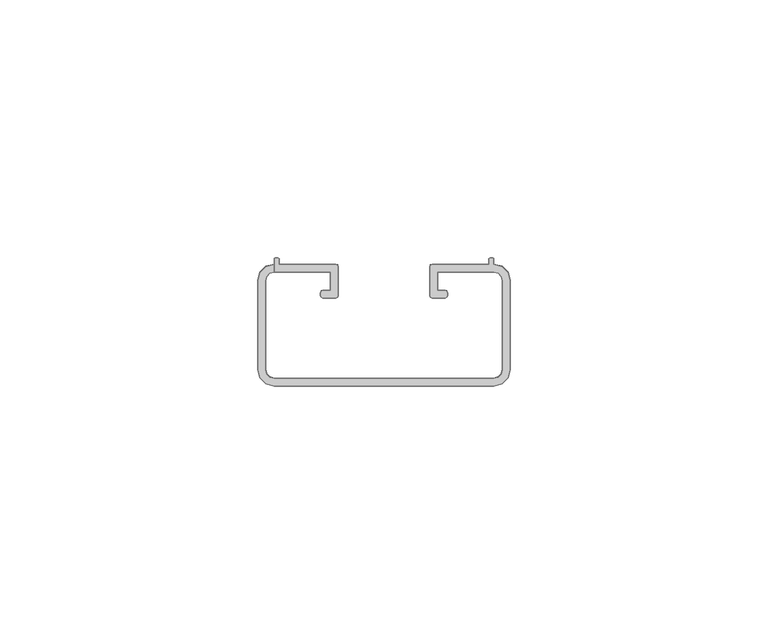
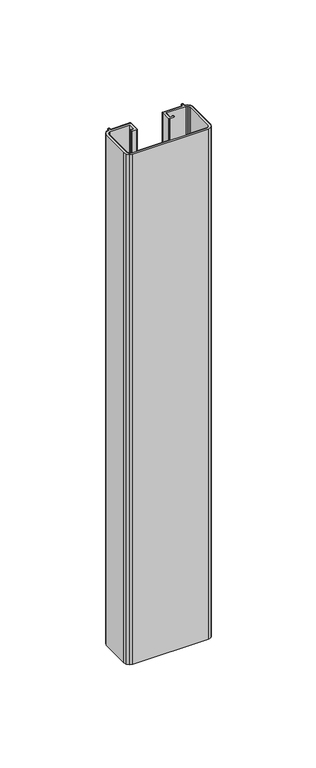
"""IFC4 building model written with IfcOpenShell, lengths in millimetres: furniture geometry."""

import ifcopenshell
import ifcopenshell.guid

model = None  # the IFC model being written
_history = None  # IfcOwnerHistory: only IFC2X3 demands one
_inside = {}  # id of a spatial element -> (the spatial element, [elements in it])
_under = {}  # id of a project, library or spatial element -> (it, [spatial elements below it])
_declared = {}  # id of a project -> (the project, [libraries it declares])
_typed = {}  # id of a type object -> (the type object, [elements of that type])
_made_of = {}  # id of a material, layer set ... -> (it, [elements and type objects made of it])


def new_model(schema):
    """Start an empty IFC model of exactly this schema.

    Asked for "IFC4X3", IfcOpenShell would pick the latest addendum, in which some entities
    have other attributes; the version numbers below select the first issue.
    IFC2X3 requires an IfcOwnerHistory on every rooted entity: one is made here for all.
    """
    global model, _history
    if schema == "IFC4X3":
        model = ifcopenshell.file(schema_version=(4, 3, 0, 0))
    else:
        model = ifcopenshell.file(schema=schema)
    _inside.clear()
    _under.clear()
    _declared.clear()
    _typed.clear()
    _made_of.clear()
    _history = None
    if model.schema == "IFC2X3":
        org = make("IfcOrganization", Name="unknown")
        user = make(
            "IfcPersonAndOrganization",
            ThePerson=make("IfcPerson", FamilyName="unknown"),
            TheOrganization=org,
        )
        app = make(
            "IfcApplication",
            ApplicationDeveloper=org,
            Version="unknown",
            ApplicationFullName="unknown",
            ApplicationIdentifier="unknown",
        )
        _history = make(
            "IfcOwnerHistory",
            OwningUser=user,
            OwningApplication=app,
            ChangeAction="ADDED",
            CreationDate=0,
        )
    return model


def make(cls, **values):
    """One entity of the class cls with the attributes given. An attribute that is None is left unset."""
    return model.create_entity(
        cls, **{name: value for name, value in values.items() if value is not None}
    )


def rooted(cls, **values):
    """An entity with a GlobalId (a new one), such as an element, a storey or a relation."""
    return make(cls, GlobalId=ifcopenshell.guid.new(), OwnerHistory=_history, **values)


def si_unit(unit_type, name, prefix=None):
    """IfcSIUnit, for example si_unit("LENGTHUNIT", "METRE", prefix="MILLI")."""
    return make("IfcSIUnit", UnitType=unit_type, Prefix=prefix, Name=name)


def assignment(units):
    """IfcUnitAssignment: the units of a project."""
    return None if units is None else make("IfcUnitAssignment", Units=units)


def point(xyz):
    """IfcCartesianPoint."""
    return None if xyz is None else make("IfcCartesianPoint", Coordinates=xyz)


def direction(xyz):
    """IfcDirection."""
    return None if xyz is None else make("IfcDirection", DirectionRatios=xyz)


def frame(location, z_axis=None, x_axis=None):
    """IfcAxis2Placement3D, a coordinate frame: its origin and axes. An axis left out is left unset."""
    return make(
        "IfcAxis2Placement3D",
        Location=point(location),
        Axis=direction(z_axis),
        RefDirection=direction(x_axis),
    )


def origin():
    """The frame at (0, 0, 0) with its axes left unset."""
    return frame((0.0, 0.0, 0.0))


def place(relative_to, where):
    """IfcLocalPlacement: puts the frame where relative to a parent placement (None: the world)."""
    return make(
        "IfcLocalPlacement", PlacementRelTo=relative_to, RelativePlacement=where
    )


def context(
    kind, dimensions, precision=None, world=None, true_north=None, identifier=None
):
    """IfcGeometricRepresentationContext, for example the 3D "Model" context."""
    return make(
        "IfcGeometricRepresentationContext",
        ContextIdentifier=identifier,
        ContextType=kind,
        CoordinateSpaceDimension=dimensions,
        Precision=precision,
        WorldCoordinateSystem=world,
        TrueNorth=true_north,
    )


def project(units=None, contexts=None):
    """IfcProject with its units and contexts."""
    return rooted(
        "IfcProject",
        Name="project",
        RepresentationContexts=contexts,
        UnitsInContext=assignment(units),
    )


def spatial(cls, under=None, at=None, **own):
    """A site, building, storey or space (cls), placed at a placement, below another one or the project."""
    s = rooted(cls, ObjectPlacement=at, **own)
    if under is not None:
        _under.setdefault(under.id(), (under, []))[1].append(s)
    return s


def point_list(points):
    """IfcCartesianPointList2D or 3D."""
    cls = (
        "IfcCartesianPointList2D" if len(points[0]) == 2 else "IfcCartesianPointList3D"
    )
    return make(cls, CoordList=points)


def triangles(points, corners, closed=None, point_numbers=None):
    """IfcTriangulatedFaceSet: each triangle names its three corners, points numbered from 1."""
    return make(
        "IfcTriangulatedFaceSet",
        Coordinates=point_list(points),
        Closed=closed,
        CoordIndex=corners,
        PnIndex=point_numbers,
    )


def shape(context_of_items, identifier, shape_type, items):
    """IfcShapeRepresentation: the items that make up one representation, for example the "Body"."""
    return make(
        "IfcShapeRepresentation",
        ContextOfItems=context_of_items,
        RepresentationIdentifier=identifier,
        RepresentationType=shape_type,
        Items=items,
    )


def source(mapping_origin, context_of_items, identifier, shape_type, items):
    """IfcRepresentationMap: a shape defined once, which mapped items show again and again."""
    return make(
        "IfcRepresentationMap",
        MappingOrigin=mapping_origin,
        MappedRepresentation=shape(context_of_items, identifier, shape_type, items),
    )


def transform(
    local_origin,
    x_axis=None,
    y_axis=None,
    z_axis=None,
    scale=None,
    scale2=None,
    scale3=None,
    uniform=True,
):
    """IfcCartesianTransformationOperator3D, or its non-uniform kind. x_axis, y_axis, z_axis: its Axis1, 2, 3."""
    if uniform:
        return make(
            "IfcCartesianTransformationOperator3D",
            Axis1=direction(x_axis),
            Axis2=direction(y_axis),
            LocalOrigin=point(local_origin),
            Scale=scale,
            Axis3=direction(z_axis),
        )
    return make(
        "IfcCartesianTransformationOperator3DnonUniform",
        Axis1=direction(x_axis),
        Axis2=direction(y_axis),
        LocalOrigin=point(local_origin),
        Scale=scale,
        Axis3=direction(z_axis),
        Scale2=scale2,
        Scale3=scale3,
    )


def mapped(mapping_source, mapping_target):
    """IfcMappedItem: shows the shape of a source again, moved by a transform."""
    return make(
        "IfcMappedItem", MappingSource=mapping_source, MappingTarget=mapping_target
    )


def made_of(thing, what):
    """Note that an element or type object is made of a material, layer set ...; save() writes the relation."""
    if what is not None:
        _made_of.setdefault(what.id(), (what, []))[1].append(thing)
    return thing


def element(
    cls,
    number,
    at=None,
    inside=None,
    cuts=None,
    type_object=None,
    material=None,
    context=None,
    identifier="Body",
    shape_type=None,
    held_by="IfcProductDefinitionShape",
    body=None,
    shapes=None,
    **own,
):
    """One element of the class cls, such as IfcWall. Its Tag is "e" and its number.

    at: its placement. inside: the storey or other place that contains it. cuts: it is an
    opening in that element (IfcRelVoidsElement). A single representation is given by context,
    identifier, shape_type and body (its items); several are given by shapes. held_by: the class
    of the entity that holds the representations. save() writes the other relations.
    """
    e = rooted(cls, Tag="e%d" % number, ObjectPlacement=at, **own)
    if body is not None:
        shapes = [shape(context, identifier, shape_type, body)]
    if shapes is not None:
        e.Representation = make(held_by, Representations=shapes)
    if inside is not None:
        _inside.setdefault(inside.id(), (inside, []))[1].append(e)
    if cuts is not None:
        rooted(
            "IfcRelVoidsElement", RelatingBuildingElement=cuts, RelatedOpeningElement=e
        )
    if type_object is not None:
        _typed.setdefault(type_object.id(), (type_object, []))[1].append(e)
    return made_of(e, material)


def aggregate(whole, parts):
    """IfcRelAggregates: a whole, such as a stair, and the parts it consists of."""
    return rooted("IfcRelAggregates", RelatingObject=whole, RelatedObjects=parts)


def save(model, path):
    """Write the relations noted so far, then the file.

    IfcRelAggregates (storeys below a building ...), IfcRelContainedInSpatialStructure (elements
    in a storey), IfcRelDefinesByType, IfcRelAssociatesMaterial and IfcRelDeclares: one each for
    every whole, place, type object, material and project.
    """
    for whole, parts in _under.values():
        aggregate(whole, parts)
    for where, things in _inside.values():
        rooted(
            "IfcRelContainedInSpatialStructure",
            RelatedElements=things,
            RelatingStructure=where,
        )
    for kind, things in _typed.values():
        rooted("IfcRelDefinesByType", RelatedObjects=things, RelatingType=kind)
    for what, things in _made_of.values():
        rooted("IfcRelAssociatesMaterial", RelatedObjects=things, RelatingMaterial=what)
    for by, libraries in _declared.values():
        rooted("IfcRelDeclares", RelatingContext=by, RelatedDefinitions=libraries)
    model.write(path)


def furniture_5cb4e1e3(model_context):
    return source(origin(), model_context, "Body", "Tessellation", [
        triangles([(71.6466805, -131.4831626, 86.8750116), (28.9766811, -131.4831626, 86.8750116), (28.9766811, -131.4831626, 392.4370199), (71.6466805, -131.4831626, 392.4370199), (27.3879881, -131.0569441, 392.4407261), (27.3879881, -131.0569441, 86.8787359), (26.2284999, -129.8915719, 392.4508999), (26.2284999, -129.8915719, 86.8889006), (25.7976827, -128.3042233, 392.4647435), (25.7976827, -128.3042233, 86.9027533), (25.7976827, -111.0342201, 87.0534709), (25.7976827, -111.0342201, 392.6154611), (28.9766811, -107.8552807, 392.643221), (28.9766811, -107.8552807, 87.0812126), (27.3892734, -108.2861047, 87.077452), (27.3892734, -108.2861047, 392.6394422), (26.2238944, -109.4455816, 87.0673327), (26.2238944, -109.4455816, 392.629341), (28.9766811, -106.8552237, 87.089933), (28.9766811, -106.8552237, 392.6519414), (29.0499029, -106.6784449, 392.6534675), (29.0499029, -106.6784449, 87.0914773), (29.2266817, -106.6052208, 392.6541215), (29.2266817, -106.6052208, 87.0921222), (29.7266807, -106.6052208, 392.6541215), (29.7266807, -106.6052208, 87.0921222), (29.9034595, -106.6784449, 392.6534675), (29.9034595, -106.6784449, 87.0914773), (29.9766813, -106.8552237, 392.6519414), (29.9766813, -106.8552237, 87.089933), (40.9356827, -107.8552171, 87.0812126), (40.9356827, -107.8552171, 392.643221), (41.2892403, -108.0016653, 392.6419493), (41.2892403, -108.0016653, 87.0799318), (41.4356839, -108.355223, 392.6388608), (41.4356839, -108.355223, 87.0768434), (41.4356839, -113.9032219, 392.5904263), (41.4356839, -113.9032219, 87.028427), (29.9766813, -107.8552171, 87.0812126), (29.9766813, -107.8552171, 392.643221), (41.2892403, -114.2567704, 392.5873378), (41.2892403, -114.2567704, 87.0253476), (40.9356827, -114.4032186, 392.5860661), (40.9356827, -114.4032186, 87.0240668), (38.461683, -114.4032186, 87.0240668), (38.461683, -114.4032186, 392.5860661), (38.1081254, -114.2567704, 87.0253476), (38.1081254, -114.2567704, 392.5873378), (37.9616818, -113.9032219, 87.028427), (37.9616818, -113.9032219, 392.5904263), (37.9616818, -113.3792168, 87.0330052), (37.9616818, -113.3792168, 392.5950045), (38.461683, -112.8792201, 392.5993647), (38.461683, -112.8792201, 87.0373654), (38.1081254, -113.0256683, 87.0360846), (38.1081254, -113.0256683, 392.5980929), (39.9116808, -112.8792201, 87.0373654), (39.9116808, -112.8792201, 392.5993647), (39.9116808, -109.3792157, 87.067914), (39.9116808, -109.3792157, 392.6299224), (28.9766811, -109.3792157, 87.067914), (28.9766811, -109.3792157, 392.6299224), (28.1491698, -109.60095, 392.6279603), (28.1491698, -109.60095, 87.0659792), (27.5434019, -110.206727, 392.6226917), (27.5434019, -110.206727, 87.0606925), (27.3216812, -111.0342201, 392.6154611), (27.3216812, -111.0342201, 87.0534709), (27.3216812, -128.3042233, 86.9027533), (27.3216812, -128.3042233, 392.4647435), (27.5434019, -129.1317073, 392.4575492), (27.5434019, -129.1317073, 86.8955317), (28.1491698, -129.7374843, 392.4522443), (28.1491698, -129.7374843, 86.890245), (28.9766811, -129.9592186, 392.4503185), (28.9766811, -129.9592186, 86.8883102), (73.2353781, -131.0569441, 392.4407261), (73.2353781, -131.0569441, 86.8787359), (74.394864, -129.8915719, 392.4508999), (74.394864, -129.8915719, 86.8889006), (74.8256835, -128.3042233, 392.4647435), (74.8256835, -128.3042233, 86.9027533), (74.8256835, -111.0342201, 392.6154611), (74.8256835, -111.0342201, 87.0534709), (71.6466805, -107.8552807, 392.643221), (71.6466805, -107.8552807, 87.0812126), (73.2340882, -108.2861047, 87.077452), (73.2340882, -108.2861047, 392.6394422), (74.3994695, -109.4455816, 87.0673327), (74.3994695, -109.4455816, 392.629341), (71.6466805, -106.8552237, 392.6519414), (71.6466805, -106.8552237, 87.089933), (71.573461, -106.6784449, 392.6534675), (71.573461, -106.6784449, 87.0914773), (71.3966822, -106.6052208, 392.6541215), (71.3966822, -106.6052208, 87.0921222), (70.8966809, -106.6052208, 87.0921222), (70.8966809, -106.6052208, 392.6541215), (70.7199021, -106.6784449, 392.6534675), (70.7199021, -106.6784449, 87.0914773), (70.6466825, -106.8552237, 392.6519414), (70.6466825, -106.8552237, 87.089933), (59.6876812, -107.8552171, 87.0812126), (59.6876812, -107.8552171, 392.643221), (59.3341236, -108.0016653, 392.6419493), (59.3341236, -108.0016653, 87.0799318), (59.1876799, -108.355223, 392.6388608), (59.1876799, -108.355223, 87.0768434), (59.1876799, -113.9032219, 87.028427), (59.1876799, -113.9032219, 392.5904263), (70.6466825, -107.8552171, 392.643221), (70.6466825, -107.8552171, 87.0812126), (59.3341236, -114.2567704, 392.5873378), (59.3341236, -114.2567704, 87.0253476), (59.6876812, -114.4032186, 392.5860661), (59.6876812, -114.4032186, 87.0240668), (62.1616808, -114.4032186, 392.5860661), (62.1616808, -114.4032186, 87.0240668), (62.5152385, -114.2567704, 87.0253476), (62.5152385, -114.2567704, 392.5873378), (62.6616821, -113.9032219, 87.028427), (62.6616821, -113.9032219, 392.5904263), (62.6616821, -113.3792168, 392.5950045), (62.6616821, -113.3792168, 87.0330052), (62.1616808, -112.8792201, 392.5993647), (62.1616808, -112.8792201, 87.0373654), (62.5152385, -113.0256683, 87.0360846), (62.5152385, -113.0256683, 392.5980929), (60.711683, -112.8792201, 392.5993647), (60.711683, -112.8792201, 87.0373654), (60.711683, -109.3792157, 392.6299224), (60.711683, -109.3792157, 87.067914), (71.6466805, -109.3792157, 392.6299224), (71.6466805, -109.3792157, 87.067914), (72.4741918, -109.60095, 392.6279603), (72.4741918, -109.60095, 87.0659792), (73.0799597, -110.206727, 392.6226917), (73.0799597, -110.206727, 87.0606925), (73.3016804, -111.0342201, 392.6154611), (73.3016804, -111.0342201, 87.0534709), (73.3016804, -128.3042233, 392.4647435), (73.3016804, -128.3042233, 86.9027533), (73.0799597, -129.1317073, 392.4575492), (73.0799597, -129.1317073, 86.8955317), (72.4741918, -129.7374843, 392.4522443), (72.4741918, -129.7374843, 86.890245), (71.6466805, -129.9592186, 392.4503185), (71.6466805, -129.9592186, 86.8883102), (28.9766811, -106.8552237, 88.0812061)], [[1, 2, 3], [1, 3, 4], [2, 3, 5], [2, 5, 6], [6, 5, 7], [6, 7, 8], [8, 7, 9], [8, 9, 10], [10, 11, 12], [10, 12, 9], [13, 14, 15], [13, 15, 16], [16, 15, 17], [16, 17, 18], [18, 17, 11], [18, 11, 12], [14, 19, 20], [14, 20, 13], [19, 20, 21], [19, 21, 22], [22, 21, 23], [22, 23, 24], [25, 23, 24], [25, 24, 26], [26, 25, 27], [26, 27, 28], [28, 27, 29], [28, 29, 30], [31, 32, 33], [31, 33, 34], [34, 33, 35], [34, 35, 36], [35, 37, 38], [35, 38, 36], [31, 39, 40], [31, 40, 32], [38, 37, 41], [38, 41, 42], [42, 41, 43], [42, 43, 44], [44, 45, 46], [44, 46, 43], [46, 45, 47], [46, 47, 48], [48, 47, 49], [48, 49, 50], [49, 51, 52], [49, 52, 50], [53, 54, 55], [53, 55, 56], [56, 55, 51], [56, 51, 52], [57, 54, 53], [57, 53, 58], [57, 59, 60], [57, 60, 58], [59, 61, 62], [59, 62, 60], [61, 62, 63], [61, 63, 64], [64, 63, 65], [64, 65, 66], [66, 65, 67], [66, 67, 68], [68, 69, 70], [68, 70, 67], [69, 70, 71], [69, 71, 72], [72, 71, 73], [72, 73, 74], [74, 73, 75], [74, 75, 76], [1, 4, 77], [1, 77, 78], [78, 77, 79], [78, 79, 80], [80, 79, 81], [80, 81, 82], [81, 83, 84], [81, 84, 82], [85, 86, 87], [85, 87, 88], [88, 87, 89], [88, 89, 90], [90, 89, 84], [90, 84, 83], [85, 91, 92], [85, 92, 86], [92, 91, 93], [92, 93, 94], [94, 93, 95], [94, 95, 96], [97, 96, 95], [97, 95, 98], [97, 98, 99], [97, 99, 100], [100, 99, 101], [100, 101, 102], [103, 104, 105], [103, 105, 106], [106, 105, 107], [106, 107, 108], [108, 109, 110], [108, 110, 107], [104, 111, 112], [104, 112, 103], [109, 110, 113], [109, 113, 114], [114, 113, 115], [114, 115, 116], [115, 117, 118], [115, 118, 116], [117, 118, 119], [117, 119, 120], [120, 119, 121], [120, 121, 122], [122, 123, 124], [122, 124, 121], [125, 126, 127], [125, 127, 128], [128, 127, 124], [128, 124, 123], [129, 125, 126], [129, 126, 130], [129, 131, 132], [129, 132, 130], [131, 133, 134], [131, 134, 132], [134, 133, 135], [134, 135, 136], [136, 135, 137], [136, 137, 138], [138, 137, 139], [138, 139, 140], [139, 141, 142], [139, 142, 140], [142, 141, 143], [142, 143, 144], [144, 143, 145], [144, 145, 146], [146, 145, 147], [146, 147, 148], [111, 101, 102], [111, 102, 112], [40, 29, 30], [40, 30, 39], [147, 75, 76], [147, 76, 148], [103, 132, 106], [106, 132, 108], [118, 126, 127], [118, 127, 119], [119, 127, 124], [119, 124, 121], [109, 130, 114], [114, 130, 116], [126, 130, 116], [126, 116, 118], [130, 132, 108], [130, 108, 109], [92, 102, 100], [92, 100, 94], [94, 100, 97], [94, 97, 96], [112, 102, 86], [102, 92, 86], [132, 103, 112], [132, 112, 134], [86, 134, 136], [86, 136, 87], [87, 136, 138], [87, 138, 89], [89, 138, 140], [89, 140, 84], [134, 86, 112], [82, 142, 144], [82, 144, 80], [80, 144, 146], [80, 146, 78], [78, 146, 148], [78, 148, 1], [82, 142, 140], [82, 140, 84], [2, 76, 74], [2, 74, 6], [6, 74, 72], [6, 72, 8], [8, 72, 69], [8, 69, 10], [1, 148, 76], [1, 76, 2], [11, 68, 17], [68, 66, 17], [17, 66, 64], [17, 64, 15], [15, 64, 61], [15, 61, 14], [10, 69, 68], [10, 68, 11], [30, 19, 22], [30, 22, 28], [28, 22, 24], [28, 24, 26], [36, 59, 34], [34, 59, 31], [31, 59, 61], [31, 61, 39], [149, 14, 61], [38, 57, 42], [42, 57, 44], [45, 54, 55], [45, 55, 47], [47, 55, 51], [47, 51, 49], [44, 45, 54], [44, 54, 57], [38, 36, 59], [38, 59, 57], [104, 131, 105], [105, 131, 107], [117, 125, 128], [117, 128, 120], [120, 128, 123], [120, 123, 122], [110, 129, 113], [113, 129, 115], [125, 129, 115], [125, 115, 117], [129, 131, 107], [129, 107, 110], [91, 101, 99], [91, 99, 93], [93, 99, 98], [93, 98, 95], [111, 101, 85], [101, 91, 85], [131, 104, 111], [131, 111, 133], [85, 133, 135], [85, 135, 88], [88, 135, 137], [88, 137, 90], [90, 137, 139], [90, 139, 83], [133, 85, 111], [81, 141, 143], [81, 143, 79], [79, 143, 145], [79, 145, 77], [77, 145, 147], [77, 147, 4], [81, 141, 139], [81, 139, 83], [3, 75, 73], [3, 73, 5], [5, 73, 71], [5, 71, 7], [7, 71, 70], [7, 70, 9], [4, 147, 75], [4, 75, 3], [12, 67, 18], [67, 65, 18], [18, 65, 63], [18, 63, 16], [16, 63, 62], [16, 62, 13], [9, 70, 67], [9, 67, 12], [29, 20, 21], [29, 21, 27], [27, 21, 23], [27, 23, 25], [35, 60, 33], [33, 60, 32], [37, 58, 41], [41, 58, 43], [46, 53, 56], [46, 56, 48], [48, 56, 52], [48, 52, 50], [43, 46, 53], [43, 53, 58], [37, 35, 60], [37, 60, 58], [19, 30, 39], [19, 39, 14], [39, 14, 61], [32, 60, 62], [32, 62, 40], [20, 29, 40], [20, 40, 13], [40, 13, 62]], closed=False),
    ])


if __name__ == "__main__":
    model = new_model("IFC4")
    model_context = context("Model", 3, world=origin())
    ifc_project = project(units=[si_unit("LENGTHUNIT", "METRE", prefix="MILLI")], contexts=[model_context])
    site = spatial("IfcSite", under=ifc_project)
    building = spatial("IfcBuilding", under=site)
    placement = place(None, origin())
    furniture_shape = furniture_5cb4e1e3(model_context)
    element("IfcFurniture", 1, at=placement, inside=building, context=model_context, shape_type="MappedRepresentation", body=[
        mapped(furniture_shape, transform((0.0, 0.0, 0.0), x_axis=(1.0, 0.0, 0.0), y_axis=(0.0, 1.0, 0.0), z_axis=(0.0, 0.0, 1.0))),
    ])
    save(model, "model.ifc")
